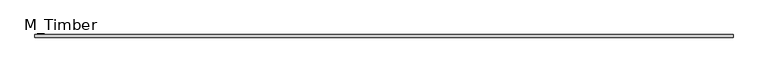
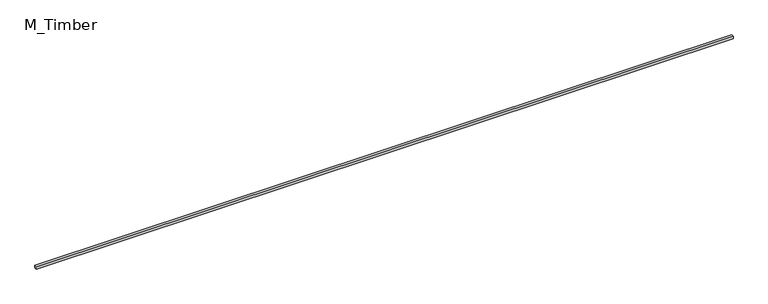
"""IFC4 building model written with IfcOpenShell, lengths in millimetres: beam geometry, M_Timber."""

from ifc_helpers import new_model, si_unit, frame, origin, place, context, project, spatial, polyline, outline, extrude, source, transform, mapped, element, save


def m_timber_702ec383(model_context):
    return source(origin(), model_context, "Body", "SweptSolid", [
        extrude(outline(polyline([(5367.3415393, 20.0), (5367.3415393, -20.0), (-5367.3415393, -20.0), (-5367.3415393, 20.0), (5367.3415393, 20.0)])), frame((0.0, 0.0, -20.0), z_axis=(0.0, 0.0, 1.0), x_axis=(1.0, 0.0, 0.0)), (0.0, 0.0, 1.0), 40.0),
    ])


if __name__ == "__main__":
    model = new_model("IFC4")
    model_context = context("Model", 3, world=origin())
    ifc_project = project(units=[si_unit("LENGTHUNIT", "METRE", prefix="MILLI")], contexts=[model_context])
    site = spatial("IfcSite", under=ifc_project)
    building = spatial("IfcBuilding", under=site)
    placement = place(None, origin())
    m_timber_shape = m_timber_702ec383(model_context)
    element("IfcBeam", 1, ObjectType="M_Timber", at=placement, inside=building, context=model_context, shape_type="MappedRepresentation", body=[
        mapped(m_timber_shape, transform((0.0, 0.0, 0.0), x_axis=(1.0, 0.0, 0.0), y_axis=(0.0, 1.0, 0.0), z_axis=(0.0, 0.0, 1.0))),
    ])
    save(model, "model.ifc")
